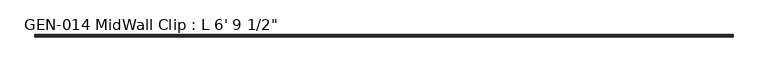
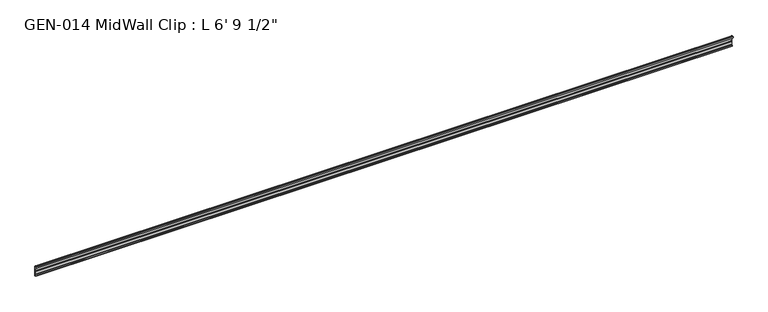
"""IFC4 building model written with IfcOpenShell, lengths in millimetres: proxy geometry."""

from ifc_helpers import new_model, si_unit, point, frame, frame_2d, origin, place, context, project, spatial, polyline, circle_curve, trimmed, segment, composite_curve, outline, extrude, source, transform, mapped, element, save


def proxy_c0bbcf67(model_context):
    return source(origin(), model_context, "Body", "SweptSolid", [
        extrude(outline(composite_curve([segment(polyline([(2.1386113, 32.1158903), (3.9735584, 32.6885982)]), True, "CONTINUOUS"), segment(trimmed(circle_curve(frame_2d((4.1838513, 32.2686835)), 0.4696291), [point((3.9735584, 32.6885982))], [point((4.6534804, 32.2686835))], False, "CARTESIAN"), True, "CONTINUOUS"), segment(polyline([(4.6534804, 32.2686835), (4.6534804, 30.7270734)]), True, "CONTINUOUS"), segment(trimmed(circle_curve(frame_2d((6.2409804, 30.7270734)), 1.5875), [point((4.6534804, 30.7270734))], [point((6.2409804, 29.1395734))], True, "CARTESIAN"), True, "CONTINUOUS"), segment(polyline([(6.2409804, 29.1395734), (7.5485426, 29.1395734), (7.5485426, 0.0), (4.055874, 0.0), (4.055874, 1.6102595)]), True, "CONTINUOUS"), segment(trimmed(circle_curve(frame_2d((4.0560426, 3.5152595)), 1.905), [point((4.055874, 1.6102595))], [point((5.9610426, 3.5152595))], True, "CARTESIAN"), True, "CONTINUOUS"), segment(polyline([(5.9610426, 3.5152595), (5.9610426, 4.6343152), (5.9610426, 12.4909614), (6.4702065, 13.408381), (6.4702065, 14.7485418), (5.9610426, 15.6659614), (5.9610426, 26.8535734)]), True, "CONTINUOUS"), segment(trimmed(circle_curve(frame_2d((5.4530426, 26.8535734)), 0.508), [point((5.9610426, 26.8535734))], [point((5.4361592, 27.3612928))], True, "CARTESIAN"), True, "CONTINUOUS"), segment(trimmed(circle_curve(frame_2d((5.4154804, 26.5995734)), 0.762), [point((5.4361592, 27.3612928))], [point((4.6764599, 26.4138515))], True, "CARTESIAN"), True, "CONTINUOUS"), segment(trimmed(circle_curve(frame_2d((4.1230664, 26.2747792)), 0.5706009), [point((4.6764599, 26.4138515))], [point((3.9349539, 25.7360779))], False, "CARTESIAN"), True, "CONTINUOUS"), segment(polyline([(3.9349539, 25.7360779), (2.1386113, 26.2967369)]), True, "CONTINUOUS"), segment(trimmed(circle_curve(frame_2d((3.0467234, 29.2063136)), 3.048), [point((2.1386113, 26.2967369))], [point((0.4447727, 30.7938136))], False, "CARTESIAN"), True, "CONTINUOUS"), segment(trimmed(circle_curve(frame_2d((3.0467234, 29.2063136)), 3.048), [point((0.4447727, 30.7938136))], [point((2.1386113, 32.1158903))], False, "CARTESIAN"), True, "CONTINUOUS")], self_intersect=False)), frame((-1765.3, 0.0, 0.0), z_axis=(1.0, 0.0, 0.0), x_axis=(0.0, 1.0, 0.0)), (0.0, 0.0, 1.0), 2070.1),
    ])


if __name__ == "__main__":
    model = new_model("IFC4")
    model_context = context("Model", 3, world=origin())
    ifc_project = project(units=[si_unit("LENGTHUNIT", "METRE", prefix="MILLI")], contexts=[model_context])
    site = spatial("IfcSite", under=ifc_project)
    building = spatial("IfcBuilding", under=site)
    placement = place(None, origin())
    proxy_shape = proxy_c0bbcf67(model_context)
    element("IfcBuildingElementProxy", 1, Name="GEN-014 MidWall Clip : L 6' 9 1/2\"", ObjectType="GEN-014 MidWall Clip : L 6' 9 1/2\"", at=placement, inside=building, context=model_context, shape_type="MappedRepresentation", body=[
        mapped(proxy_shape, transform((0.0, 0.0, 0.0), x_axis=(1.0, 0.0, 0.0), y_axis=(0.0, 1.0, 0.0), z_axis=(0.0, 0.0, 1.0))),
    ])
    save(model, "model.ifc")
